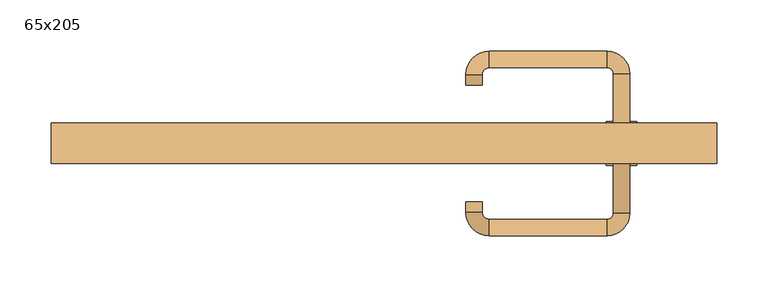
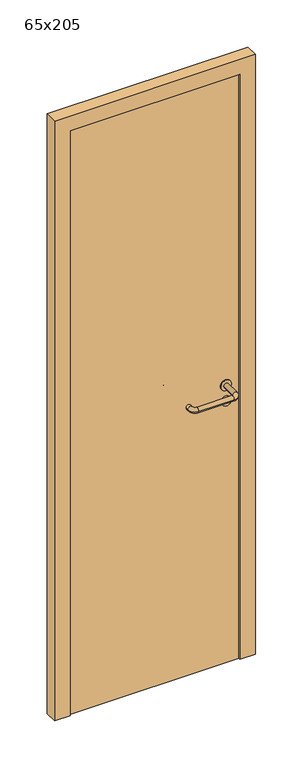
"""IFC4 building model written with IfcOpenShell, lengths in millimetres: door geometry, 65x205."""

from ifc_helpers import new_model, si_unit, point, frame, frame_2d, origin, origin_with_axes, place, context, project, spatial, polyline, circle_curve, ellipse_curve, trimmed, segment, composite_curve, outline, extrude, source, transform, mapped, element, save
from ifc_brep_helpers import plane_surface, cylinder_surface, revolved_surface, advanced_brep


def door_65x205_3d5225b0(model_context):
    return source(origin(), model_context, "Body", "SolidModel", [
        extrude(outline(composite_curve([segment(trimmed(circle_curve(frame_2d((897.3605726, 232.0)), 15.0), [point((897.3605726, 247.0))], [point((897.3605726, 217.0))], False, "CARTESIAN"), True, "CONTINUOUS"), segment(trimmed(circle_curve(frame_2d((897.3605726, 232.0)), 15.0), [point((897.3605726, 217.0))], [point((897.3605726, 247.0))], False, "CARTESIAN"), True, "CONTINUOUS")], self_intersect=False), holes=[composite_curve([segment(trimmed(circle_curve(frame_2d((892.5833211, 231.9398032)), 2.0), [point((892.5833211, 233.9398032))], [point((892.5833211, 229.9398032))], True, "CARTESIAN"), True, "CONTINUOUS"), segment(polyline([(892.5833211, 229.9398032), (902.5833211, 229.9398032)]), True, "CONTINUOUS"), segment(trimmed(circle_curve(frame_2d((902.5833211, 231.9398032)), 2.0), [point((902.5833211, 229.9398032))], [point((902.5833211, 233.9398032))], True, "CARTESIAN"), True, "CONTINUOUS"), segment(polyline([(902.5833211, 233.9398032), (892.5833211, 233.9398032)]), True, "CONTINUOUS")], self_intersect=False)]), frame((0.0, 10.0, 0.0), z_axis=(0.0, 1.0, 0.0), x_axis=(0.0, 0.0, 1.0)), (0.0, 0.0, 1.0), 6.35),
        extrude(outline(composite_curve([segment(trimmed(circle_curve(frame_2d((950.0, 232.0)), 17.526), [point((950.0, 249.526))], [point((950.0, 214.474))], False, "CARTESIAN"), True, "CONTINUOUS"), segment(trimmed(circle_curve(frame_2d((950.0, 232.0)), 17.526), [point((950.0, 214.474))], [point((950.0, 249.526))], False, "CARTESIAN"), True, "CONTINUOUS")], self_intersect=False)), frame((0.0, 10.0, 0.0), z_axis=(0.0, 1.0, 0.0), x_axis=(0.0, 0.0, 1.0)), (0.0, 0.0, 1.0), 3.175),
        advanced_brep(
        [(240.0, 10.0, 950.0), (224.0, 10.0, 950.0), (240.0, 63.0, 950.0), (224.0, 63.0, 950.0), (217.8578644, 69.1421356, 950.0), (217.8578644, 85.1421356, 950.0), (102.8578644, 85.1421356, 950.0), (102.8578644, 69.1421356, 950.0), (96.008622, 62.2928932, 950.0), (80.008622, 62.2928932, 950.0), (80.008622, 52.2928932, 950.0), (96.008622, 52.2928932, 950.0)],
        [
            (0, 1, circle_curve(frame((232.0, 10.0, 950.0), z_axis=(0.0, -1.0, 0.0), x_axis=(-1.0, 0.0, 0.0)), 8.0)),
            (1, 0, circle_curve(frame((232.0, 10.0, 950.0), z_axis=(0.0, -1.0, 0.0), x_axis=(-1.0, 0.0, 0.0)), 8.0)),
            (0, 2),
            (2, 3, circle_curve(frame((232.0, 63.0, 950.0), z_axis=(0.0, -1.0, 0.0), x_axis=(-1.0, 0.0, 0.0)), 8.0)),
            (3, 1),
            (3, 2, circle_curve(frame((232.0, 63.0, 950.0), z_axis=(0.0, -1.0, 0.0), x_axis=(-1.0, 0.0, 0.0)), 8.0)),
            (4, 3, circle_curve(frame((217.8578644, 63.0, 950.0), z_axis=(0.0, 0.0, -1.0), x_axis=(1.0, 0.0, 0.0)), 6.1421356)),
            (2, 5, circle_curve(frame((217.8578644, 63.0, 950.0), z_axis=(0.0, 0.0, 1.0), x_axis=(1.0, 0.0, 0.0)), 22.1421356)),
            (5, 4, circle_curve(frame((217.8578644, 77.1421356, 950.0), z_axis=(1.0, 0.0, 0.0), x_axis=(0.0, -1.0, 0.0)), 8.0)),
            (4, 5, circle_curve(frame((217.8578644, 77.1421356, 950.0), z_axis=(1.0, 0.0, 0.0), x_axis=(0.0, -1.0, 0.0)), 8.0)),
            (5, 6),
            (6, 7, circle_curve(frame((102.8578644, 77.1421356, 950.0), z_axis=(1.0, 0.0, 0.0), x_axis=(0.0, -1.0, 0.0)), 8.0)),
            (7, 4),
            (7, 6, circle_curve(frame((102.8578644, 77.1421356, 950.0), z_axis=(1.0, 0.0, 0.0), x_axis=(0.0, -1.0, 0.0)), 8.0)),
            (8, 7, circle_curve(frame((102.8578644, 62.2928932, 950.0), z_axis=(0.0, 0.0, -1.0), x_axis=(0.0, 1.0, 0.0)), 6.8492424)),
            (6, 9, circle_curve(frame((102.8578644, 62.2928932, 950.0), z_axis=(0.0, 0.0, 1.0), x_axis=(0.0, 1.0, 0.0)), 22.8492424)),
            (9, 8, circle_curve(frame((88.008622, 62.2928932, 950.0), z_axis=(0.0, 1.0, 0.0), x_axis=(1.0, 0.0, 0.0)), 8.0)),
            (8, 9, circle_curve(frame((88.008622, 62.2928932, 950.0), z_axis=(0.0, 1.0, 0.0), x_axis=(1.0, 0.0, 0.0)), 8.0)),
            (10, 11, circle_curve(frame((88.008622, 52.2928932, 950.0), z_axis=(0.0, -1.0, 0.0), x_axis=(1.0, 0.0, 0.0)), 8.0)),
            (11, 10, circle_curve(frame((88.008622, 52.2928932, 950.0), z_axis=(0.0, -1.0, 0.0), x_axis=(1.0, 0.0, 0.0)), 8.0)),
            (9, 10),
            (11, 8),
        ],
        [
            plane_surface(frame((232.0, 10.0, 0.0), z_axis=(0.0, -1.0, 0.0), x_axis=(0.0, 0.0, 1.0))),
            cylinder_surface(frame((232.0, 10.0, 950.0), z_axis=(0.0, -1.0, 0.0), x_axis=(-1.0, 0.0, 0.0)), 8.0),
            revolved_surface(trimmed(ellipse_curve(frame((232.0, 63.0, 950.0), z_axis=(0.0, -1.0, 0.0), x_axis=(-1.0, 0.0, 0.0)), 8.0, 8.0), [point((240.0, 63.0, 950.0))], [point((224.0, 63.0, 950.0))], True, "CARTESIAN"), (217.8578644, 63.0, 0.0), (0.0, 0.0, 1.0)),
            revolved_surface(trimmed(ellipse_curve(frame((232.0, 63.0, 950.0), z_axis=(0.0, -1.0, 0.0), x_axis=(-1.0, 0.0, 0.0)), 8.0, 8.0), [point((224.0, 63.0, 950.0))], [point((240.0, 63.0, 950.0))], True, "CARTESIAN"), (217.8578644, 63.0, 0.0), (0.0, 0.0, 1.0)),
            cylinder_surface(frame((217.8578644, 77.1421356, 950.0), z_axis=(1.0, 0.0, 0.0), x_axis=(0.0, -1.0, 0.0)), 8.0),
            revolved_surface(trimmed(ellipse_curve(frame((102.8578644, 77.1421356, 950.0), z_axis=(1.0, 0.0, 0.0), x_axis=(0.0, -1.0, 0.0)), 8.0, 8.0), [point((102.8578644, 85.1421356, 950.0))], [point((102.8578644, 69.1421356, 950.0))], True, "CARTESIAN"), (102.8578644, 62.2928932, 0.0), (0.0, 0.0, 1.0)),
            revolved_surface(trimmed(ellipse_curve(frame((102.8578644, 77.1421356, 950.0), z_axis=(1.0, 0.0, 0.0), x_axis=(0.0, -1.0, 0.0)), 8.0, 8.0), [point((102.8578644, 69.1421356, 950.0))], [point((102.8578644, 85.1421356, 950.0))], True, "CARTESIAN"), (102.8578644, 62.2928932, 0.0), (0.0, 0.0, 1.0)),
            plane_surface(frame((88.008622, 52.2928932, 0.0), z_axis=(0.0, -1.0, 0.0), x_axis=(0.0, 0.0, 1.0))),
            cylinder_surface(frame((88.008622, 62.2928932, 950.0), z_axis=(0.0, 1.0, 0.0), x_axis=(1.0, 0.0, 0.0)), 8.0),
        ],
        [
            (0, [[1, 2]]),
            (1, [[-1, 3, 4, 5]]),
            (1, [[-2, -5, 6, -3]]),
            (2, [[7, -4, 8, 9]]),
            (3, [[-8, -6, -7, 10]]),
            (4, [[-9, 11, 12, 13]]),
            (4, [[-10, -13, 14, -11]]),
            (5, [[15, -12, 16, 17]]),
            (6, [[-16, -14, -15, 18]]),
            (7, [[19, 20]]),
            (8, [[-17, 21, -20, 22]]),
            (8, [[-18, -22, -19, -21]]),
        ],
    ),
        extrude(outline(composite_curve([segment(trimmed(circle_curve(frame_2d((0.0, 15.0)), 15.0), [point((0.0, 30.0))], [point((0.0, 0.0))], False, "CARTESIAN"), True, "CONTINUOUS"), segment(trimmed(circle_curve(frame_2d((0.0, 15.0)), 15.0), [point((0.0, 0.0))], [point((0.0, 30.0))], False, "CARTESIAN"), True, "CONTINUOUS")], self_intersect=False), holes=[composite_curve([segment(trimmed(circle_curve(frame_2d((-4.7772515, 14.9398032)), 2.0), [point((-4.7772515, 16.9398032))], [point((-4.7772515, 12.9398032))], True, "CARTESIAN"), True, "CONTINUOUS"), segment(polyline([(-4.7772515, 12.9398032), (5.2227485, 12.9398032)]), True, "CONTINUOUS"), segment(trimmed(circle_curve(frame_2d((5.2227485, 14.9398032)), 2.0), [point((5.2227485, 12.9398032))], [point((5.2227485, 16.9398032))], True, "CARTESIAN"), True, "CONTINUOUS"), segment(polyline([(5.2227485, 16.9398032), (-4.7772515, 16.9398032)]), True, "CONTINUOUS")], self_intersect=False)]), frame((217.0, -26.35, 897.3605726), z_axis=(-1.8870575173328306e-12, 1.0, 0.0), x_axis=(0.0, 0.0, 1.0)), (0.0, 0.0, 1.0), 6.35),
        extrude(outline(composite_curve([segment(trimmed(circle_curve(frame_2d((0.0, 17.526)), 17.526), [point((0.0, 35.052))], [point((0.0, 0.0))], False, "CARTESIAN"), True, "CONTINUOUS"), segment(trimmed(circle_curve(frame_2d((0.0, 17.526)), 17.526), [point((0.0, 0.0))], [point((0.0, 35.052))], False, "CARTESIAN"), True, "CONTINUOUS")], self_intersect=False)), frame((214.474, -23.175, 950.0), z_axis=(-1.8870575173328306e-12, 1.0, 0.0), x_axis=(0.0, 0.0, 1.0)), (0.0, 0.0, 1.0), 3.175),
        advanced_brep(
        [(240.0, -20.0, 950.0), (224.0, -20.0, 950.0), (224.0, -73.0, 950.0), (240.0, -73.0, 950.0), (217.8578644, -79.1421356, 950.0), (217.8578644, -95.1421356, 950.0), (102.8578644, -79.1421356, 950.0), (102.8578644, -95.1421356, 950.0), (96.008622, -72.2928932, 950.0), (80.008622, -72.2928932, 950.0), (80.008622, -62.2928932, 950.0), (96.008622, -62.2928932, 950.0)],
        [
            (0, 1, circle_curve(frame((232.0, -20.0, 950.0), z_axis=(-1.888672253512351e-12, 1.0, 0.0), x_axis=(-1.0, -1.888672253512351e-12, 0.0)), 8.0)),
            (1, 0, circle_curve(frame((232.0, -20.0, 950.0), z_axis=(-1.888672253512351e-12, 1.0, 0.0), x_axis=(-1.0, -1.888672253512351e-12, 0.0)), 8.0)),
            (1, 2),
            (2, 3, circle_curve(frame((232.0, -73.0, 950.0), z_axis=(-1.888672253512351e-12, 1.0, 0.0), x_axis=(-1.0, -1.888672253512351e-12, 0.0)), 8.0)),
            (3, 0),
            (3, 2, circle_curve(frame((232.0, -73.0, 950.0), z_axis=(-1.888672253512351e-12, 1.0, 0.0), x_axis=(-1.0, -1.888672253512351e-12, 0.0)), 8.0)),
            (4, 5, circle_curve(frame((217.8578644, -87.1421356, 950.0), z_axis=(1.0, 1.913702061528922e-12, 0.0), x_axis=(-1.913702061528922e-12, 1.0, 0.0)), 8.0)),
            (5, 3, circle_curve(frame((217.8578644, -73.0, 950.0), z_axis=(0.0, 0.0, 1.0), x_axis=(1.0, 1.880717803715015e-12, 0.0)), 22.1421356)),
            (2, 4, circle_curve(frame((217.8578644, -73.0, 950.0), z_axis=(0.0, 0.0, -1.0), x_axis=(1.0, 1.880717803715015e-12, 0.0)), 6.1421356)),
            (5, 4, circle_curve(frame((217.8578644, -87.1421356, 950.0), z_axis=(1.0, 1.913702061528922e-12, 0.0), x_axis=(-1.913702061528922e-12, 1.0, 0.0)), 8.0)),
            (4, 6),
            (6, 7, circle_curve(frame((102.8578644, -87.1421356, 950.0), z_axis=(1.0, 1.913719828541269e-12, 0.0), x_axis=(-1.913719828541269e-12, 1.0, 0.0)), 8.0)),
            (7, 5),
            (7, 6, circle_curve(frame((102.8578644, -87.1421356, 950.0), z_axis=(1.0, 1.913719828541269e-12, 0.0), x_axis=(-1.913719828541269e-12, 1.0, 0.0)), 8.0)),
            (8, 9, circle_curve(frame((88.008622, -72.2928932, 950.0), z_axis=(1.8888942981172756e-12, -1.0, 0.0), x_axis=(1.0, 1.8888942981172756e-12, 0.0)), 8.0)),
            (9, 7, circle_curve(frame((102.8578644, -72.2928932, 950.0), z_axis=(0.0, 0.0, 1.0), x_axis=(1.9120873253494017e-12, -1.0, 0.0)), 22.8492424)),
            (6, 8, circle_curve(frame((102.8578644, -72.2928932, 950.0), z_axis=(0.0, 0.0, -1.0), x_axis=(1.9120873253494017e-12, -1.0, 0.0)), 6.8492424)),
            (9, 8, circle_curve(frame((88.008622, -72.2928932, 950.0), z_axis=(1.890448610351751e-12, -1.0, 0.0), x_axis=(1.0, 1.890448610351751e-12, 0.0)), 8.0)),
            (10, 11, circle_curve(frame((88.008622, -62.2928932, 950.0), z_axis=(-1.8903642334018795e-12, 1.0, 0.0), x_axis=(1.0, 1.8903642334018795e-12, 0.0)), 8.0)),
            (11, 10, circle_curve(frame((88.008622, -62.2928932, 950.0), z_axis=(-1.8903642334018795e-12, 1.0, 0.0), x_axis=(1.0, 1.8903642334018795e-12, 0.0)), 8.0)),
            (8, 11),
            (10, 9),
        ],
        [
            plane_surface(frame((232.0, -20.0, 0.0), z_axis=(-1.8870575173328306e-12, 1.0, 0.0), x_axis=(0.0, 0.0, 1.0))),
            cylinder_surface(frame((232.0, -20.0, 950.0), z_axis=(-1.888672253512351e-12, 1.0, 0.0), x_axis=(-1.0, -1.888672253512351e-12, 0.0)), 8.0),
            revolved_surface(trimmed(ellipse_curve(frame((232.0, -73.0, 950.0), z_axis=(1.8823325398945356e-12, -1.0, 0.0), x_axis=(-1.0, -1.8823325398945356e-12, 0.0)), 8.0, 8.0), [point((240.0, -73.0, 950.0))], [point((224.0, -73.0, 950.0))], True, "CARTESIAN"), (217.8578644, -73.0, 0.0), (0.0, 0.0, 1.0)),
            revolved_surface(trimmed(ellipse_curve(frame((232.0, -73.0, 950.0), z_axis=(1.8823325398945356e-12, -1.0, 0.0), x_axis=(-1.0, -1.8823325398945356e-12, 0.0)), 8.0, 8.0), [point((224.0, -73.0, 950.0))], [point((240.0, -73.0, 950.0))], True, "CARTESIAN"), (217.8578644, -73.0, 0.0), (0.0, 0.0, 1.0)),
            cylinder_surface(frame((217.8578644, -87.1421356, 950.0), z_axis=(1.0, 1.913719828541269e-12, 0.0), x_axis=(-1.913719828541269e-12, 1.0, 0.0)), 8.0),
            revolved_surface(trimmed(ellipse_curve(frame((102.8578644, -87.1421356, 950.0), z_axis=(-1.0, -1.913702061528922e-12, 0.0), x_axis=(-1.913702061528922e-12, 1.0, 0.0)), 8.0, 8.0), [point((102.8578644, -95.1421356, 950.0))], [point((102.8578644, -79.1421356, 950.0))], True, "CARTESIAN"), (102.8578644, -72.2928932, 0.0), (0.0, 0.0, 1.0)),
            revolved_surface(trimmed(ellipse_curve(frame((102.8578644, -87.1421356, 950.0), z_axis=(-1.0, -1.913702061528922e-12, 0.0), x_axis=(-1.913702061528922e-12, 1.0, 0.0)), 8.0, 8.0), [point((102.8578644, -79.1421356, 950.0))], [point((102.8578644, -95.1421356, 950.0))], True, "CARTESIAN"), (102.8578644, -72.2928932, 0.0), (0.0, 0.0, 1.0)),
            plane_surface(frame((88.008622, -62.2928932, 0.0), z_axis=(-1.8887494972223595e-12, 1.0, 0.0), x_axis=(0.0, 0.0, 1.0))),
            cylinder_surface(frame((88.008622, -72.2928932, 950.0), z_axis=(1.8903642334018795e-12, -1.0, 0.0), x_axis=(1.0, 1.8903642334018795e-12, 0.0)), 8.0),
        ],
        [
            (0, [[1, 2]]),
            (1, [[3, 4, 5, -2]]),
            (1, [[-5, 6, -3, -1]]),
            (2, [[7, 8, -4, 9]]),
            (3, [[10, -9, -6, -8]]),
            (4, [[11, 12, 13, -7]]),
            (4, [[-13, 14, -11, -10]]),
            (5, [[15, 16, -12, 17]]),
            (6, [[18, -17, -14, -16]]),
            (7, [[19, 20]]),
            (8, [[21, -19, 22, -15]]),
            (8, [[-22, -20, -21, -18]]),
        ],
    ),
        extrude(outline(polyline([(2000.0, 275.0), (0.0, 275.0), (0.0, 325.0), (2050.0, 325.0), (2050.0, -325.0), (0.0, -325.0), (0.0, -275.0), (2000.0, -275.0), (2000.0, 275.0)])), frame((0.0, -25.0, 0.0), z_axis=(0.0, 1.0, 0.0), x_axis=(0.0, 0.0, 1.0)), (0.0, 0.0, 1.0), 40.0),
        extrude(outline(polyline([(-275.0, -20.0), (-275.0, 10.0), (275.0, 10.0), (275.0, -20.0), (-275.0, -20.0)])), origin_with_axes(), (0.0, 0.0, 1.0), 2000.0),
    ])


if __name__ == "__main__":
    model = new_model("IFC4")
    model_context = context("Model", 3, world=origin())
    ifc_project = project(units=[si_unit("LENGTHUNIT", "METRE", prefix="MILLI")], contexts=[model_context])
    site = spatial("IfcSite", under=ifc_project)
    building = spatial("IfcBuilding", under=site)
    placement = place(None, origin())
    door_65x205_shape = door_65x205_3d5225b0(model_context)
    element("IfcDoor", 1, ObjectType="65x205", at=placement, inside=building, context=model_context, shape_type="MappedRepresentation", body=[
        mapped(door_65x205_shape, transform((0.0, 0.0, 0.0), x_axis=(1.0, 0.0, 0.0), y_axis=(0.0, 1.0, 0.0), z_axis=(0.0, 0.0, 1.0))),
    ])
    save(model, "model.ifc")
